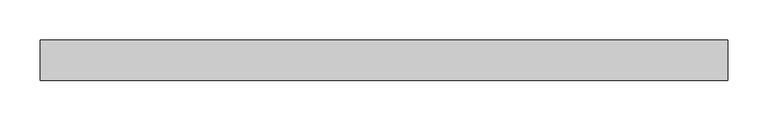
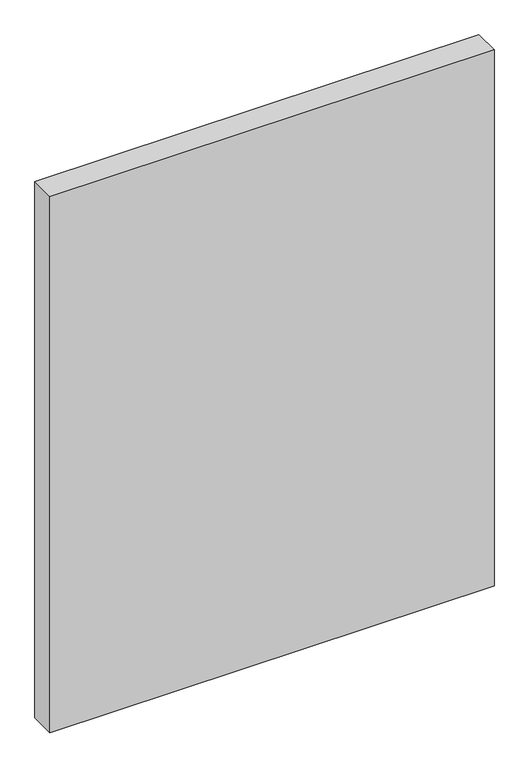
"""IFC4 building model written with IfcOpenShell, lengths in millimetres: plate geometry."""

from ifc_helpers import new_model, si_unit, origin, origin_with_axes, place, context, project, spatial, polyline, outline, extrude, source, transform, mapped, element, save


def plate_d41ff481(model_context):
    return source(origin(), model_context, "Body", "SweptSolid", [
        extrude(outline(polyline([(425.0, -25.0), (-425.0, -25.0), (-425.0, 25.0), (425.0, 25.0), (425.0, -25.0)])), origin_with_axes(), (0.0, 0.0, 1.0), 1085.0),
    ])


if __name__ == "__main__":
    model = new_model("IFC4")
    model_context = context("Model", 3, world=origin())
    ifc_project = project(units=[si_unit("LENGTHUNIT", "METRE", prefix="MILLI")], contexts=[model_context])
    site = spatial("IfcSite", under=ifc_project)
    building = spatial("IfcBuilding", under=site)
    placement = place(None, origin())
    plate_shape = plate_d41ff481(model_context)
    element("IfcPlate", 1, at=placement, inside=building, context=model_context, shape_type="MappedRepresentation", body=[
        mapped(plate_shape, transform((0.0, 0.0, 0.0), x_axis=(1.0, 0.0, 0.0), y_axis=(0.0, 1.0, 0.0), z_axis=(0.0, 0.0, 1.0))),
    ])
    save(model, "model.ifc")
